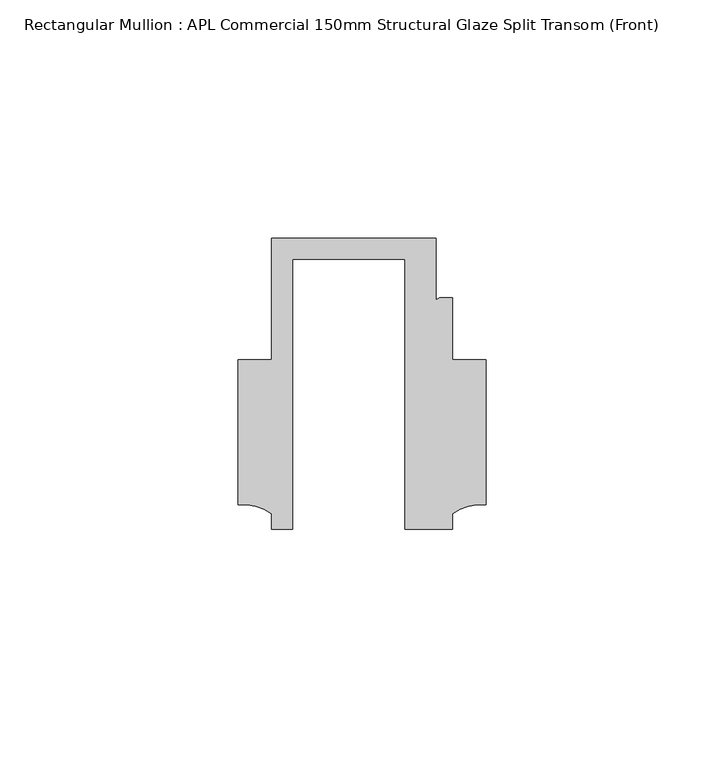
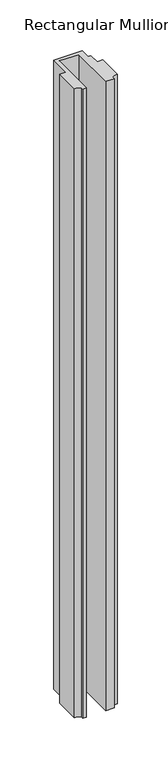
"""IFC4 building model written with IfcOpenShell, lengths in millimetres: member geometry, Rectangular Mullion : APL Commercial 150mm Structural Glaze Split Transom (Front)."""

from ifc_helpers import new_model, si_unit, point, frame, frame_2d, origin, place, context, project, spatial, polyline, circle_curve, trimmed, segment, composite_curve, outline, extrude, source, transform, mapped, element, save


def rectangular_mullion_apl_commercial_150mm_structural_glaze_3817b487(model_context):
    return source(origin(), model_context, "Body", "SweptSolid", [
        extrude(outline(composite_curve([segment(polyline([(-23.5949354, -20.5), (-28.0000482, -20.5), (-28.0000482, -17.3123419)]), True, "CONTINUOUS"), segment(trimmed(circle_curve(frame_2d((-34.10985, -25.7980019)), 10.4563907), [point((-28.0000482, -17.3123419))], [point((-34.9999873, -15.3795682))], True, "CARTESIAN"), True, "CONTINUOUS"), segment(polyline([(-34.9999873, -15.3795682), (-34.9999873, 15.001276), (-28.0000482, 15.001276), (-28.0000482, 40.499932), (6.5000029, 40.499932), (6.5000029, 27.0002131)]), True, "CONTINUOUS"), segment(trimmed(circle_curve(frame_2d((7.5000029, 27.0002131)), 1.0), [point((6.5000029, 27.0002131))], [point((7.5000029, 28.0002131))], False, "CARTESIAN"), True, "CONTINUOUS"), segment(polyline([(7.5000029, 28.0002131), (10.0000029, 28.0002131), (10.0000029, 15.0004617), (16.999942, 15.0004617), (16.999942, -15.3793686)]), True, "CONTINUOUS"), segment(trimmed(circle_curve(frame_2d((16.1098048, -25.7978024)), 10.4563907), [point((16.999942, -15.3793686))], [point((10.0000029, -17.3121423))], True, "CARTESIAN"), True, "CONTINUOUS"), segment(polyline([(10.0000029, -17.3121423), (10.0000029, -20.5), (0.0, -20.5), (0.0, 36.1008577), (-23.5949354, 36.1008577), (-23.5949354, -20.5)]), True, "CONTINUOUS")], self_intersect=False)), frame((0.0, 0.0, -804.1423288), z_axis=(0.0, 0.0, 1.0), x_axis=(1.0, 0.0, 0.0)), (0.0, 0.0, 1.0), 804.1423288),
    ])


if __name__ == "__main__":
    model = new_model("IFC4")
    model_context = context("Model", 3, world=origin())
    ifc_project = project(units=[si_unit("LENGTHUNIT", "METRE", prefix="MILLI")], contexts=[model_context])
    site = spatial("IfcSite", under=ifc_project)
    building = spatial("IfcBuilding", under=site)
    placement = place(None, origin())
    rectangular_mullion_apl_commercial_150mm_structural_glaze_shape = rectangular_mullion_apl_commercial_150mm_structural_glaze_3817b487(model_context)
    element("IfcMember", 1, ObjectType="Rectangular Mullion : APL Commercial 150mm Structural Glaze Split Transom (Front)", at=placement, inside=building, context=model_context, shape_type="MappedRepresentation", body=[
        mapped(rectangular_mullion_apl_commercial_150mm_structural_glaze_shape, transform((0.0, 0.0, 0.0), x_axis=(1.0, 0.0, 0.0), y_axis=(0.0, 1.0, 0.0), z_axis=(0.0, 0.0, 1.0))),
    ])
    save(model, "model.ifc")
